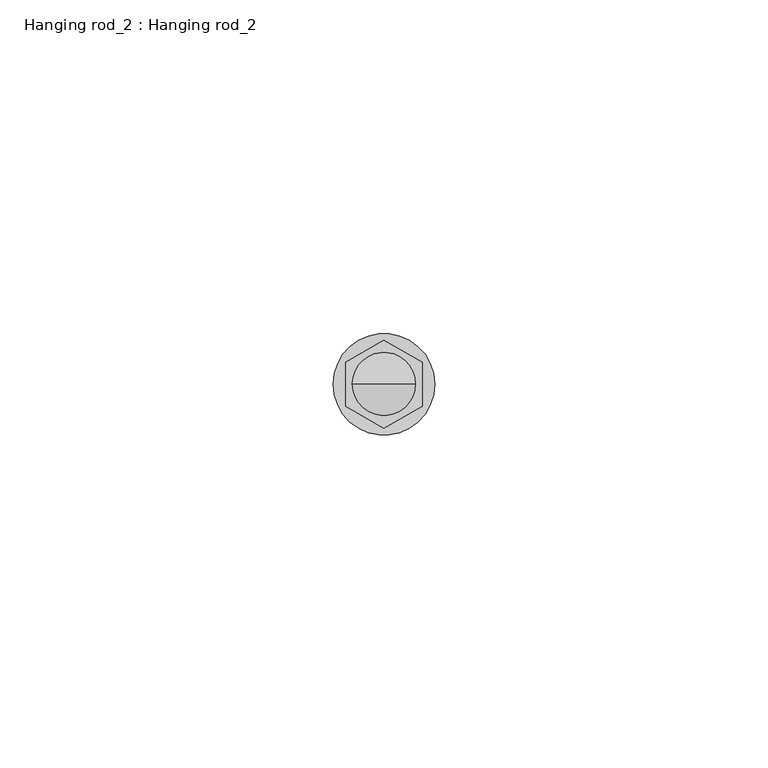
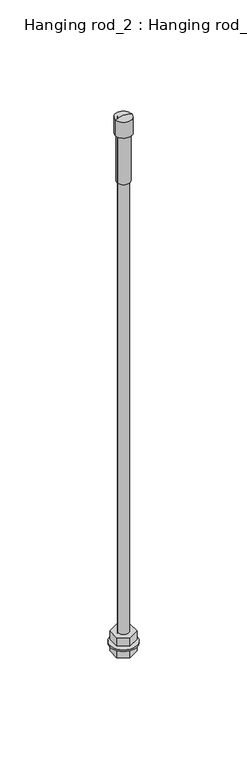
"""IFC4 building model written with IfcOpenShell, lengths in millimetres: proxy geometry, Hanging rod_2 : Hanging rod_2."""

from ifc_helpers import new_model, si_unit, point, frame, origin, origin_with_axes, origin_2d, place, context, project, spatial, polyline, circle_curve, trimmed, segment, composite_curve, outline, extrude, source, transform, mapped, element, save
from ifc_brep_helpers import plane_surface, cylinder_surface, revolved_surface, advanced_brep


def hanging_rod_2_hanging_rod_2_e7428aff(model_context):
    return source(origin(), model_context, "Body", "SolidModel", [
        extrude(outline(polyline([(0.0, -6.6082069), (-5.722875, -3.3041034), (-5.722875, 3.3041034), (0.0, 6.6082069), (5.722875, 3.3041034), (5.722875, -3.3041034), (0.0, -6.6082069)]), holes=[composite_curve([segment(trimmed(circle_curve(origin_2d(), 3.0), [point((-3.0, 0.0))], [point((3.0, 0.0))], True, "CARTESIAN"), True, "CONTINUOUS"), segment(trimmed(circle_curve(origin_2d(), 3.0), [point((3.0, 0.0))], [point((-3.0, 0.0))], True, "CARTESIAN"), True, "CONTINUOUS")], self_intersect=False)]), frame((0.0, 0.0, 8.4900018), z_axis=(0.0, 0.0, 1.0), x_axis=(1.0, 0.0, 0.0)), (0.0, 0.0, 1.0), 5.0),
        advanced_brep(
        [(0.0, 0.0, 321.2678879), (4.7318222, 0.0, 320.0), (-4.7318222, 0.0, 320.0), (-3.671637, 0.0, 281.9964405), (3.671637, 0.0, 281.9964405), (0.0, 0.0, 281.9964405), (-3.671637, 0.0, 310.5379079), (3.671637, 0.0, 310.5379079), (-4.7318222, 0.0, 310.5379079), (4.7318222, 0.0, 310.5379079)],
        [
            (0, 1),
            (1, 2, circle_curve(frame((0.0, 0.0, 320.0), z_axis=(0.0, 0.0, 1.0), x_axis=(1.0, 0.0, 0.0)), 4.7318222)),
            (2, 0),
            (2, 1, circle_curve(frame((0.0, 0.0, 320.0), z_axis=(0.0, 0.0, 1.0), x_axis=(1.0, 0.0, 0.0)), 4.7318222)),
            (3, 4, circle_curve(frame((0.0, 0.0, 281.9964405), z_axis=(0.0, 0.0, -1.0), x_axis=(1.0, 0.0, 0.0)), 3.671637)),
            (4, 5),
            (5, 3),
            (4, 3, circle_curve(frame((0.0, 0.0, 281.9964405), z_axis=(0.0, 0.0, -1.0), x_axis=(1.0, 0.0, 0.0)), 3.671637)),
            (6, 7, circle_curve(frame((0.0, 0.0, 310.5379079), z_axis=(0.0, 0.0, -1.0), x_axis=(1.0, 0.0, 0.0)), 3.671637)),
            (7, 4),
            (3, 6),
            (7, 6, circle_curve(frame((0.0, 0.0, 310.5379079), z_axis=(0.0, 0.0, -1.0), x_axis=(1.0, 0.0, 0.0)), 3.671637)),
            (8, 9, circle_curve(frame((0.0, 0.0, 310.5379079), z_axis=(0.0, 0.0, -1.0), x_axis=(1.0, 0.0, 0.0)), 4.7318222)),
            (9, 7),
            (6, 8),
            (9, 8, circle_curve(frame((0.0, 0.0, 310.5379079), z_axis=(0.0, 0.0, -1.0), x_axis=(1.0, 0.0, 0.0)), 4.7318222)),
            (1, 9),
            (8, 2),
        ],
        [
            revolved_surface(polyline([(4.7318222, 0.0, 320.0), (0.0, 0.0, 321.2678879)]), (0.0, 0.0, 289.8947141), (0.0, 0.0, 1.0)),
            plane_surface(frame((0.0, 0.0, 281.9964405), z_axis=(0.0, 0.0, -1.0), x_axis=(1.0, 0.0, 0.0))),
            cylinder_surface(frame((0.0, 0.0, 289.8947141), z_axis=(0.0, 0.0, 1.0), x_axis=(1.0, 0.0, 0.0)), 3.671637),
            plane_surface(frame((0.0, 0.0, 310.5379079), z_axis=(0.0, 0.0, -1.0), x_axis=(1.0, 0.0, 0.0))),
            cylinder_surface(frame((0.0, 0.0, 289.8947141), z_axis=(0.0, 0.0, 1.0), x_axis=(1.0, 0.0, 0.0)), 4.7318222),
        ],
        [
            (0, [[1, 2, 3]]),
            (0, [[-3, 4, -1]]),
            (1, [[5, 6, 7]]),
            (1, [[8, -7, -6]]),
            (2, [[9, 10, -5, 11]]),
            (2, [[12, -11, -8, -10]]),
            (3, [[13, 14, -9, 15]]),
            (3, [[16, -15, -12, -14]]),
            (4, [[-2, 17, -13, 18]]),
            (4, [[-4, -18, -16, -17]]),
        ],
    ),
        extrude(outline(composite_curve([segment(trimmed(circle_curve(origin_2d(), 7.6155736), [point((-7.6155736, 0.0))], [point((7.6155736, 0.0))], False, "CARTESIAN"), True, "CONTINUOUS"), segment(trimmed(circle_curve(origin_2d(), 7.6155736), [point((7.6155736, 0.0))], [point((-7.6155736, 0.0))], False, "CARTESIAN"), True, "CONTINUOUS")], self_intersect=False), holes=[composite_curve([segment(trimmed(circle_curve(origin_2d(), 3.0), [point((-3.0, 0.0))], [point((3.0, 0.0))], True, "CARTESIAN"), True, "CONTINUOUS"), segment(trimmed(circle_curve(origin_2d(), 3.0), [point((3.0, 0.0))], [point((-3.0, 0.0))], True, "CARTESIAN"), True, "CONTINUOUS")], self_intersect=False)]), frame((0.0, 0.0, 6.4900018), z_axis=(0.0, 0.0, 1.0), x_axis=(1.0, 0.0, 0.0)), (0.0, 0.0, 1.0), 1.0),
        extrude(outline(polyline([(0.0, -6.6082069), (-5.722875, -3.3041034), (-5.722875, 3.3041034), (0.0, 6.6082069), (5.722875, 3.3041034), (5.722875, -3.3041034), (0.0, -6.6082069)]), holes=[composite_curve([segment(trimmed(circle_curve(origin_2d(), 3.0), [point((-3.0, 0.0))], [point((3.0, 0.0))], True, "CARTESIAN"), True, "CONTINUOUS"), segment(trimmed(circle_curve(origin_2d(), 3.0), [point((3.0, 0.0))], [point((-3.0, 0.0))], True, "CARTESIAN"), True, "CONTINUOUS")], self_intersect=False)]), frame((0.0, 0.0, 1.4900018), z_axis=(0.0, 0.0, 1.0), x_axis=(1.0, 0.0, 0.0)), (0.0, 0.0, 1.0), 5.0),
        extrude(outline(composite_curve([segment(trimmed(circle_curve(origin_2d(), 3.0), [point((-3.0, 0.0))], [point((3.0, 0.0))], False, "CARTESIAN"), True, "CONTINUOUS"), segment(trimmed(circle_curve(origin_2d(), 3.0), [point((3.0, 0.0))], [point((-3.0, 0.0))], False, "CARTESIAN"), True, "CONTINUOUS")], self_intersect=False)), origin_with_axes(), (0.0, 0.0, 1.0), 320.0),
    ])


if __name__ == "__main__":
    model = new_model("IFC4")
    model_context = context("Model", 3, world=origin())
    ifc_project = project(units=[si_unit("LENGTHUNIT", "METRE", prefix="MILLI")], contexts=[model_context])
    site = spatial("IfcSite", under=ifc_project)
    building = spatial("IfcBuilding", under=site)
    placement = place(None, origin())
    hanging_rod_2_hanging_rod_2_shape = hanging_rod_2_hanging_rod_2_e7428aff(model_context)
    element("IfcBuildingElementProxy", 1, Name="Hanging rod_2 : Hanging rod_2", ObjectType="Hanging rod_2 : Hanging rod_2", at=placement, inside=building, context=model_context, shape_type="MappedRepresentation", body=[
        mapped(hanging_rod_2_hanging_rod_2_shape, transform((0.0, 0.0, 0.0), x_axis=(1.0, 0.0, 0.0), y_axis=(0.0, 1.0, 0.0), z_axis=(0.0, 0.0, 1.0))),
    ])
    save(model, "model.ifc")
